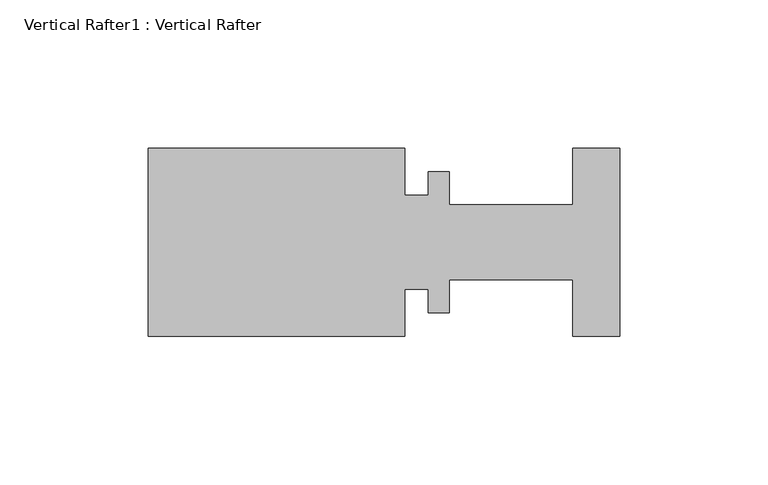
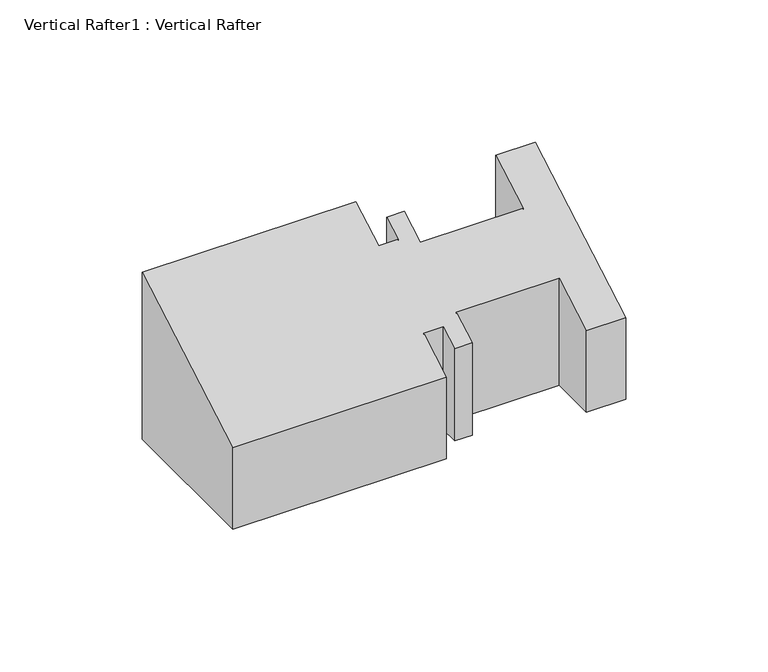
"""IFC4 building model written with IfcOpenShell, lengths in millimetres: proxy geometry, Vertical Rafter1 : Vertical Rafter."""

from ifc_helpers import new_model, si_unit, origin, place, context, project, spatial, faceted_brep, source, transform, mapped, element, save


def vertical_rafter1_vertical_rafter_15c86d67(model_context):
    return source(origin(), model_context, "Body", "Brep", [
        faceted_brep([(12080.5221425, -21753.2834611, 234.3645499), (12064.6506309, -21753.2834611, 234.3645499), (12064.6506309, -21734.2334611, 234.3645499), (12022.9911425, -21734.2334611, 234.3645499), (12022.9911425, -21745.3586611, 234.3645499), (12015.8283425, -21745.3586611, 234.3645499), (12015.8283425, -21737.4084611, 234.3645499), (12007.9289425, -21737.4084611, 234.3645499), (12007.9289425, -21753.2834611, 234.3645499), (11921.3911425, -21753.2834611, 234.3645499), (11921.3911425, -21689.7834611, 234.3645499), (12007.9289425, -21689.7834611, 234.3645499), (12007.9289425, -21705.6584611, 234.3645499), (12015.8283425, -21705.6584611, 234.3645499), (12015.8283425, -21697.7082611, 234.3645499), (12022.9911425, -21697.7082611, 234.3645499), (12022.9911425, -21708.8334611, 234.3645499), (12064.6506309, -21708.8334611, 234.3645499), (12064.6506309, -21689.7834611, 234.3645499), (12080.5221425, -21689.7834611, 234.3645499), (12080.5221425, -21753.2834611, 269.2315935), (12064.6506309, -21753.2834611, 269.2315935), (12064.6506309, -21734.2334611, 280.2301161), (12022.9911425, -21734.2334611, 280.2301161), (12022.9911425, -21745.3586611, 273.8069789), (12015.8283425, -21745.3586611, 273.8069789), (12015.8283425, -21737.4084611, 278.397029), (12007.9289425, -21737.4084611, 278.397029), (12007.9289425, -21753.2834611, 269.2315935), (11921.3911425, -21753.2834611, 269.2315935), (11921.3911425, -21689.7834611, 305.8933355), (12007.9289425, -21689.7834611, 305.8933355), (12007.9289425, -21705.6584611, 296.7279), (12015.8283425, -21705.6584611, 296.7279), (12015.8283425, -21697.7082611, 301.3179501), (12022.9911425, -21697.7082611, 301.3179501), (12022.9911425, -21708.8334611, 294.8948129), (12064.6506309, -21708.8334611, 294.8948129), (12064.6506309, -21689.7834611, 305.8933355), (12080.5221425, -21689.7834611, 305.8933355)], [[[0, 1, 2, 3, 4, 5, 6, 7, 8, 9, 10, 11, 12, 13, 14, 15, 16, 17, 18, 19]], [[1, 0, 20, 21]], [[2, 1, 21, 22]], [[3, 2, 22, 23]], [[4, 3, 23, 24]], [[5, 4, 24, 25]], [[6, 5, 25, 26]], [[7, 6, 26, 27]], [[8, 7, 27, 28]], [[9, 8, 28, 29]], [[10, 9, 29, 30]], [[11, 10, 30, 31]], [[12, 11, 31, 32]], [[13, 12, 32, 33]], [[14, 13, 33, 34]], [[15, 14, 34, 35]], [[16, 15, 35, 36]], [[17, 16, 36, 37]], [[18, 17, 37, 38]], [[19, 18, 38, 39]], [[0, 19, 39, 20]], [[21, 20, 39, 38, 37, 36, 35, 34, 33, 32, 31, 30, 29, 28, 27, 26, 25, 24, 23, 22]]]),
    ])


if __name__ == "__main__":
    model = new_model("IFC4")
    model_context = context("Model", 3, world=origin())
    ifc_project = project(units=[si_unit("LENGTHUNIT", "METRE", prefix="MILLI")], contexts=[model_context])
    site = spatial("IfcSite", under=ifc_project)
    building = spatial("IfcBuilding", under=site)
    placement = place(None, origin())
    vertical_rafter1_vertical_rafter_shape = vertical_rafter1_vertical_rafter_15c86d67(model_context)
    element("IfcBuildingElementProxy", 1, Name="Vertical Rafter1 : Vertical Rafter", ObjectType="Vertical Rafter1 : Vertical Rafter", at=placement, inside=building, context=model_context, shape_type="MappedRepresentation", body=[
        mapped(vertical_rafter1_vertical_rafter_shape, transform((0.0, 0.0, 0.0), x_axis=(1.0, 0.0, 0.0), y_axis=(0.0, 1.0, 0.0), z_axis=(0.0, 0.0, 1.0))),
    ])
    save(model, "model.ifc")
